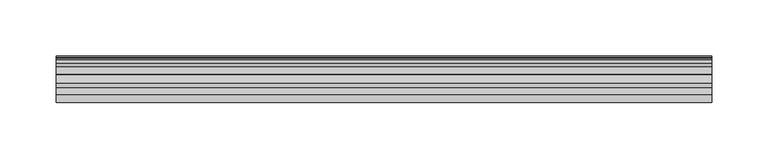
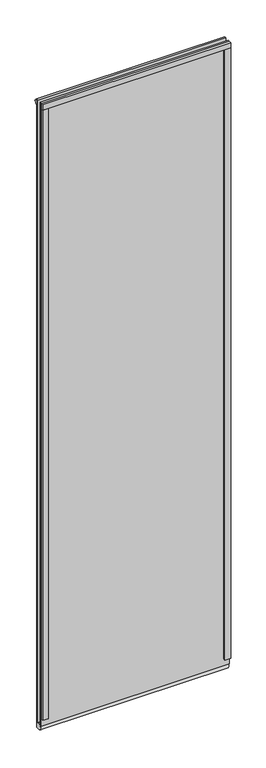
"""IFC4 building model written with IfcOpenShell, lengths in millimetres: plate geometry."""

import ifcopenshell
import ifcopenshell.guid

model = None  # the IFC model being written
_history = None  # IfcOwnerHistory: only IFC2X3 demands one
_inside = {}  # id of a spatial element -> (the spatial element, [elements in it])
_under = {}  # id of a project, library or spatial element -> (it, [spatial elements below it])
_declared = {}  # id of a project -> (the project, [libraries it declares])
_typed = {}  # id of a type object -> (the type object, [elements of that type])
_made_of = {}  # id of a material, layer set ... -> (it, [elements and type objects made of it])


def new_model(schema):
    """Start an empty IFC model of exactly this schema.

    Asked for "IFC4X3", IfcOpenShell would pick the latest addendum, in which some entities
    have other attributes; the version numbers below select the first issue.
    IFC2X3 requires an IfcOwnerHistory on every rooted entity: one is made here for all.
    """
    global model, _history
    if schema == "IFC4X3":
        model = ifcopenshell.file(schema_version=(4, 3, 0, 0))
    else:
        model = ifcopenshell.file(schema=schema)
    _inside.clear()
    _under.clear()
    _declared.clear()
    _typed.clear()
    _made_of.clear()
    _history = None
    if model.schema == "IFC2X3":
        org = make("IfcOrganization", Name="unknown")
        user = make(
            "IfcPersonAndOrganization",
            ThePerson=make("IfcPerson", FamilyName="unknown"),
            TheOrganization=org,
        )
        app = make(
            "IfcApplication",
            ApplicationDeveloper=org,
            Version="unknown",
            ApplicationFullName="unknown",
            ApplicationIdentifier="unknown",
        )
        _history = make(
            "IfcOwnerHistory",
            OwningUser=user,
            OwningApplication=app,
            ChangeAction="ADDED",
            CreationDate=0,
        )
    return model


def make(cls, **values):
    """One entity of the class cls with the attributes given. An attribute that is None is left unset."""
    return model.create_entity(
        cls, **{name: value for name, value in values.items() if value is not None}
    )


def rooted(cls, **values):
    """An entity with a GlobalId (a new one), such as an element, a storey or a relation."""
    return make(cls, GlobalId=ifcopenshell.guid.new(), OwnerHistory=_history, **values)


def si_unit(unit_type, name, prefix=None):
    """IfcSIUnit, for example si_unit("LENGTHUNIT", "METRE", prefix="MILLI")."""
    return make("IfcSIUnit", UnitType=unit_type, Prefix=prefix, Name=name)


def assignment(units):
    """IfcUnitAssignment: the units of a project."""
    return None if units is None else make("IfcUnitAssignment", Units=units)


def point(xyz):
    """IfcCartesianPoint."""
    return None if xyz is None else make("IfcCartesianPoint", Coordinates=xyz)


def direction(xyz):
    """IfcDirection."""
    return None if xyz is None else make("IfcDirection", DirectionRatios=xyz)


def frame(location, z_axis=None, x_axis=None):
    """IfcAxis2Placement3D, a coordinate frame: its origin and axes. An axis left out is left unset."""
    return make(
        "IfcAxis2Placement3D",
        Location=point(location),
        Axis=direction(z_axis),
        RefDirection=direction(x_axis),
    )


def frame_2d(location, x_axis=None):
    """IfcAxis2Placement2D, a coordinate frame in the plane: its origin and x axis."""
    return make(
        "IfcAxis2Placement2D", Location=point(location), RefDirection=direction(x_axis)
    )


def origin():
    """The frame at (0, 0, 0) with its axes left unset."""
    return frame((0.0, 0.0, 0.0))


def origin_with_axes():
    """The frame at (0, 0, 0) with the z axis (0, 0, 1) and the x axis (1, 0, 0) written out."""
    return frame((0.0, 0.0, 0.0), z_axis=(0.0, 0.0, 1.0), x_axis=(1.0, 0.0, 0.0))


def place(relative_to, where):
    """IfcLocalPlacement: puts the frame where relative to a parent placement (None: the world)."""
    return make(
        "IfcLocalPlacement", PlacementRelTo=relative_to, RelativePlacement=where
    )


def context(
    kind, dimensions, precision=None, world=None, true_north=None, identifier=None
):
    """IfcGeometricRepresentationContext, for example the 3D "Model" context."""
    return make(
        "IfcGeometricRepresentationContext",
        ContextIdentifier=identifier,
        ContextType=kind,
        CoordinateSpaceDimension=dimensions,
        Precision=precision,
        WorldCoordinateSystem=world,
        TrueNorth=true_north,
    )


def project(units=None, contexts=None):
    """IfcProject with its units and contexts."""
    return rooted(
        "IfcProject",
        Name="project",
        RepresentationContexts=contexts,
        UnitsInContext=assignment(units),
    )


def spatial(cls, under=None, at=None, **own):
    """A site, building, storey or space (cls), placed at a placement, below another one or the project."""
    s = rooted(cls, ObjectPlacement=at, **own)
    if under is not None:
        _under.setdefault(under.id(), (under, []))[1].append(s)
    return s


def polyline(points):
    """IfcPolyline through the points."""
    return make("IfcPolyline", Points=[point(p) for p in points])


def circle_curve(where, radius):
    """IfcCircle in the frame where."""
    return make("IfcCircle", Position=where, Radius=radius)


def ellipse_curve(where, semi_axis1, semi_axis2):
    """IfcEllipse in the frame where."""
    return make(
        "IfcEllipse", Position=where, SemiAxis1=semi_axis1, SemiAxis2=semi_axis2
    )


def trimmed(basis, trim1, trim2, sense, master):
    """IfcTrimmedCurve: the piece of a basis curve between two trims."""
    return make(
        "IfcTrimmedCurve",
        BasisCurve=basis,
        Trim1=trim1,
        Trim2=trim2,
        SenseAgreement=sense,
        MasterRepresentation=master,
    )


def segment(curve, same_sense, transition):
    """IfcCompositeCurveSegment."""
    return make(
        "IfcCompositeCurveSegment",
        Transition=transition,
        SameSense=same_sense,
        ParentCurve=curve,
    )


def composite_curve(segments, self_intersect=None):
    """IfcCompositeCurve: segments joined end to end."""
    return make("IfcCompositeCurve", Segments=segments, SelfIntersect=self_intersect)


def outline(outer, holes=None, kind="AREA"):
    """IfcArbitraryClosedProfileDef: a profile drawn as a closed curve; with holes, ...WithVoids."""
    if holes is None:
        return make("IfcArbitraryClosedProfileDef", ProfileType=kind, OuterCurve=outer)
    return make(
        "IfcArbitraryProfileDefWithVoids",
        ProfileType=kind,
        OuterCurve=outer,
        InnerCurves=holes,
    )


def extrude(swept, where, along, depth):
    """IfcExtrudedAreaSolid: the profile swept, set in the frame where, extruded along a direction by depth."""
    return make(
        "IfcExtrudedAreaSolid",
        SweptArea=swept,
        Position=where,
        ExtrudedDirection=direction(along),
        Depth=depth,
    )


def shape(context_of_items, identifier, shape_type, items):
    """IfcShapeRepresentation: the items that make up one representation, for example the "Body"."""
    return make(
        "IfcShapeRepresentation",
        ContextOfItems=context_of_items,
        RepresentationIdentifier=identifier,
        RepresentationType=shape_type,
        Items=items,
    )


def source(mapping_origin, context_of_items, identifier, shape_type, items):
    """IfcRepresentationMap: a shape defined once, which mapped items show again and again."""
    return make(
        "IfcRepresentationMap",
        MappingOrigin=mapping_origin,
        MappedRepresentation=shape(context_of_items, identifier, shape_type, items),
    )


def transform(
    local_origin,
    x_axis=None,
    y_axis=None,
    z_axis=None,
    scale=None,
    scale2=None,
    scale3=None,
    uniform=True,
):
    """IfcCartesianTransformationOperator3D, or its non-uniform kind. x_axis, y_axis, z_axis: its Axis1, 2, 3."""
    if uniform:
        return make(
            "IfcCartesianTransformationOperator3D",
            Axis1=direction(x_axis),
            Axis2=direction(y_axis),
            LocalOrigin=point(local_origin),
            Scale=scale,
            Axis3=direction(z_axis),
        )
    return make(
        "IfcCartesianTransformationOperator3DnonUniform",
        Axis1=direction(x_axis),
        Axis2=direction(y_axis),
        LocalOrigin=point(local_origin),
        Scale=scale,
        Axis3=direction(z_axis),
        Scale2=scale2,
        Scale3=scale3,
    )


def mapped(mapping_source, mapping_target):
    """IfcMappedItem: shows the shape of a source again, moved by a transform."""
    return make(
        "IfcMappedItem", MappingSource=mapping_source, MappingTarget=mapping_target
    )


def made_of(thing, what):
    """Note that an element or type object is made of a material, layer set ...; save() writes the relation."""
    if what is not None:
        _made_of.setdefault(what.id(), (what, []))[1].append(thing)
    return thing


def element(
    cls,
    number,
    at=None,
    inside=None,
    cuts=None,
    type_object=None,
    material=None,
    context=None,
    identifier="Body",
    shape_type=None,
    held_by="IfcProductDefinitionShape",
    body=None,
    shapes=None,
    **own,
):
    """One element of the class cls, such as IfcWall. Its Tag is "e" and its number.

    at: its placement. inside: the storey or other place that contains it. cuts: it is an
    opening in that element (IfcRelVoidsElement). A single representation is given by context,
    identifier, shape_type and body (its items); several are given by shapes. held_by: the class
    of the entity that holds the representations. save() writes the other relations.
    """
    e = rooted(cls, Tag="e%d" % number, ObjectPlacement=at, **own)
    if body is not None:
        shapes = [shape(context, identifier, shape_type, body)]
    if shapes is not None:
        e.Representation = make(held_by, Representations=shapes)
    if inside is not None:
        _inside.setdefault(inside.id(), (inside, []))[1].append(e)
    if cuts is not None:
        rooted(
            "IfcRelVoidsElement", RelatingBuildingElement=cuts, RelatedOpeningElement=e
        )
    if type_object is not None:
        _typed.setdefault(type_object.id(), (type_object, []))[1].append(e)
    return made_of(e, material)


def aggregate(whole, parts):
    """IfcRelAggregates: a whole, such as a stair, and the parts it consists of."""
    return rooted("IfcRelAggregates", RelatingObject=whole, RelatedObjects=parts)


def save(model, path):
    """Write the relations noted so far, then the file.

    IfcRelAggregates (storeys below a building ...), IfcRelContainedInSpatialStructure (elements
    in a storey), IfcRelDefinesByType, IfcRelAssociatesMaterial and IfcRelDeclares: one each for
    every whole, place, type object, material and project.
    """
    for whole, parts in _under.values():
        aggregate(whole, parts)
    for where, things in _inside.values():
        rooted(
            "IfcRelContainedInSpatialStructure",
            RelatedElements=things,
            RelatingStructure=where,
        )
    for kind, things in _typed.values():
        rooted("IfcRelDefinesByType", RelatedObjects=things, RelatingType=kind)
    for what, things in _made_of.values():
        rooted("IfcRelAssociatesMaterial", RelatedObjects=things, RelatingMaterial=what)
    for by, libraries in _declared.values():
        rooted("IfcRelDeclares", RelatingContext=by, RelatedDefinitions=libraries)
    model.write(path)


def plane_surface(at):
    """IfcPlane: the flat surface through the origin of the frame at, square to its z axis."""
    return make("IfcPlane", Position=at)


def cylinder_surface(at, radius):
    """IfcCylindricalSurface: all points at the distance radius from the z axis of the frame at."""
    return make("IfcCylindricalSurface", Position=at, Radius=radius)


def revolved_surface(curve, axis_point, axis_direction):
    """IfcSurfaceOfRevolution: the curve turned about the line through axis_point along axis_direction."""
    return make(
        "IfcSurfaceOfRevolution",
        SweptCurve=make("IfcArbitraryOpenProfileDef", ProfileType="CURVE", Curve=curve),
        AxisPosition=make("IfcAxis1Placement", Location=point(axis_point), Axis=direction(axis_direction)),
    )


def extruded_surface(curve, direction_of_extrusion, depth):
    """IfcSurfaceOfLinearExtrusion: the curve pushed along a direction by depth."""
    return make(
        "IfcSurfaceOfLinearExtrusion",
        SweptCurve=make("IfcArbitraryOpenProfileDef", ProfileType="CURVE", Curve=curve),
        ExtrudedDirection=direction(direction_of_extrusion),
        Depth=depth,
    )


def advanced_brep(points, edges, surfaces, faces):
    """IfcAdvancedBrep: a solid bounded by faces that lie on surfaces and meet in shared edges.

    An edge is (start, end): straight between two places in points (the first is 0);
    or (start, end, curve); or (start, end, curve, False) where it runs against its curve.
    A face is (place in surfaces, loops), or (place, loops, False) where it looks against
    its surface's normal. A loop lists edges by number (the first is 1), with a minus sign
    where the edge is run from its end to its start. The first loop is the outer one.
    """
    corners = [point(p) for p in points]
    vertices = [make("IfcVertexPoint", VertexGeometry=c) for c in corners]
    made = []
    for start, end, *more in edges:
        made.append(
            make(
                "IfcEdgeCurve",
                EdgeStart=vertices[start],
                EdgeEnd=vertices[end],
                EdgeGeometry=more[0] if more else make("IfcPolyline", Points=[corners[start], corners[end]]),
                SameSense=more[1] if len(more) > 1 else True,
            )
        )
    hull = []
    for where, loops, *sense in faces:
        bounds = []
        for j, loop in enumerate(loops):
            ring = [make("IfcOrientedEdge", EdgeElement=made[abs(k) - 1], Orientation=k > 0) for k in loop]
            bounds.append(
                make(
                    "IfcFaceOuterBound" if j == 0 else "IfcFaceBound",
                    Bound=make("IfcEdgeLoop", EdgeList=ring),
                    Orientation=True,
                )
            )
        hull.append(make("IfcAdvancedFace", Bounds=bounds, FaceSurface=surfaces[where], SameSense=sense[0] if sense else True))
    return make("IfcAdvancedBrep", Outer=make("IfcClosedShell", CfsFaces=hull))


def plate_05b7655e(model_context):
    return source(origin(), model_context, "Body", "SolidModel", [
        advanced_brep(
        [(290.5124998, -25.9445125, -22.1996002), (290.5124998, -33.5542419, -21.2138637), (290.5124998, -32.0901768, -41.2749995), (290.5124998, -19.2445188, -41.2749995), (290.5124998, -20.8476894, -32.5010749), (290.5124998, -19.6453125, -22.1996002), (-290.5124998, -25.9445125, -22.1996002), (-290.5124998, -19.6453125, -22.1996002), (-290.5124998, -20.8476894, -32.5010749), (-290.5124998, -19.2445188, -41.2749995), (-290.5124998, -32.0901768, -41.2749995), (-290.5124998, -33.5542419, -21.2138637)],
        [
            (0, 1, circle_curve(frame((290.5124998, -32.0913125, -39.7861015), z_axis=(1.0, 0.0, 0.0), x_axis=(0.0, 0.0, 1.0)), 18.6297659)),
            (1, 2, ellipse_curve(frame((290.5124998, -32.0901768, -31.1672132), z_axis=(1.0, 0.0, 0.0), x_axis=(0.0, 0.0, 1.0)), 10.1077863, 8.4074283)),
            (2, 3),
            (3, 4, circle_curve(frame((290.5124998, 7.0127939, -31.9438382), z_axis=(-1.0, 0.0, 0.0), x_axis=(0.0, 0.0, 1.0)), 27.8660553)),
            (4, 5, circle_curve(frame((290.5124998, 17.3392051, -31.7373), z_axis=(-1.0, 0.0, 0.0), x_axis=(0.0, 0.0, 1.0)), 38.1945319)),
            (5, 0),
            (6, 7),
            (7, 8, circle_curve(frame((-290.5124998, 17.3392051, -31.7373), z_axis=(1.0, 0.0, 0.0), x_axis=(0.0, 0.0, 1.0)), 38.1945319)),
            (8, 9, circle_curve(frame((-290.5124998, 7.0127939, -31.9438382), z_axis=(1.0, 0.0, 0.0), x_axis=(0.0, 0.0, 1.0)), 27.8660553)),
            (9, 10),
            (10, 11, ellipse_curve(frame((-290.5124998, -32.0901768, -31.1672132), z_axis=(-1.0, 0.0, 0.0), x_axis=(0.0, 0.0, 1.0)), 10.1077863, 8.4074283)),
            (11, 6, circle_curve(frame((-290.5124998, -32.0913125, -39.7861015), z_axis=(-1.0, 0.0, 0.0), x_axis=(0.0, 0.0, 1.0)), 18.6297659)),
            (4, 8),
            (7, 5),
            (6, 0),
            (2, 10),
            (9, 3),
            (11, 1),
        ],
        [
            plane_surface(frame((290.5124998, 25.5984375, 0.0), z_axis=(1.0, 0.0, 0.0), x_axis=(0.0, 1.0, 0.0))),
            plane_surface(frame((-290.5124998, 25.5984375, 0.0), z_axis=(-1.0, 0.0, 0.0), x_axis=(0.0, 1.0, 0.0))),
            revolved_surface(polyline([(-290.5124998, 17.3392051, 6.4572319), (290.5124998, 17.3392051, 6.4572319)]), (290.5124998, 17.3392051, -31.7373), (-1.0, 0.0, 0.0)),
            plane_surface(frame((290.5124998, -19.6453125, -22.1996002), z_axis=(0.0, 0.0, 1.0), x_axis=(-1.0, 0.0, 0.0))),
            plane_surface(frame((290.5124998, -32.0901768, -41.2749995), z_axis=(0.0, 0.0, -1.0), x_axis=(-1.0, 0.0, 0.0))),
            revolved_surface(polyline([(-290.5124998, 7.0127939, -4.077782899999999), (290.5124998, 7.0127939, -4.077782899999999)]), (290.5124998, 7.0127939, -31.9438382), (-1.0, 0.0, 0.0)),
            cylinder_surface(frame((290.5124998, -32.0913125, -39.7861015), z_axis=(1.0, 0.0, 0.0), x_axis=(0.0, 0.0, 1.0)), 18.6297659),
            extruded_surface(trimmed(ellipse_curve(frame((-290.5124998, -32.0901768, -31.1672132), z_axis=(1.0, 0.0, 0.0), x_axis=(0.0, 0.0, 1.0)), 10.1077863, 8.4074283), [point((-290.5124998, -33.5542419, -21.2138637))], [point((-290.5124998, -32.0901768, -41.2749995))], True, "CARTESIAN"), (581.0249996, 0.0, 0.0), 581.0249996),
        ],
        [
            (0, [[1, 2, 3, 4, 5, 6]]),
            (1, [[7, 8, 9, 10, 11, 12]]),
            (2, [[-5, 13, -8, 14]]),
            (3, [[-6, -14, -7, 15]]),
            (4, [[-3, 16, -10, 17]]),
            (5, [[-4, -17, -9, -13]]),
            (6, [[-1, -15, -12, 18]]),
            (7, [[-2, -18, -11, -16]]),
        ],
    ),
        extrude(outline(polyline([(-16.4107848, 2006.3459996), (-13.4643848, 2006.3459996), (-13.4643848, 2001.9009996), (-11.0841878, 2001.5199996), (-11.5441211, 2002.9355286), (-10.7429069, 2002.9355286), (-10.0353848, 2000.7579996), (-10.7429069, 1998.5804705), (-11.5441211, 1998.5804705), (-11.0841878, 1999.9959996), (-13.4643848, 1999.6149996), (-13.4643848, 1994.4079996), (-19.636583, 1992.7383781), (-19.636583, 2003.6597215), (-16.4107848, 2006.3459996)])), frame((-290.5124998, 0.0, 0.0), z_axis=(1.0, 0.0, 0.0), x_axis=(0.0, 1.0, 0.0)), (0.0, 0.0, 1.0), 581.0249996),
        extrude(outline(composite_curve([segment(trimmed(circle_curve(frame_2d((-47.7123125, 2023.6741537)), 12.7144578), [point((-50.8873125, 2011.3625002))], [point((-44.5373125, 2011.3625002))], True, "CARTESIAN"), True, "CONTINUOUS"), segment(polyline([(-44.5373125, 2011.3625002), (-44.5373125, 1993.9000004), (-50.8873125, 1993.9000004), (-50.8873125, 2011.3625002)]), True, "CONTINUOUS")], self_intersect=False)), frame((-290.5124998, 0.0, 0.0), z_axis=(1.0, 0.0, 0.0), x_axis=(0.0, 1.0, 0.0)), (0.0, 0.0, 1.0), 581.0249996),
        extrude(outline(polyline([(-271.8883774, -19.5373643), (-282.8097209, -19.5373643), (-285.4959989, -16.311566), (-285.4959989, -13.365166), (-281.0509989, -13.365166), (-280.6699989, -10.9849691), (-282.085528, -11.4449023), (-282.085528, -10.6436881), (-279.9079989, -9.936166), (-277.7304699, -10.6436881), (-277.7304699, -11.4449023), (-279.1459989, -10.9849691), (-278.7649989, -13.365166), (-273.5579989, -13.365166), (-271.8883774, -19.5373643)])), origin_with_axes(), (0.0, 0.0, 1.0), 1993.9000004),
        extrude(outline(polyline([(-273.0372998, -44.4293643), (-273.0372998, -50.7793643), (-290.5124998, -50.7793643), (-290.5124998, -44.4293643), (-273.0372998, -44.4293643)])), origin_with_axes(), (0.0, 0.0, 1.0), 1993.9000004),
        extrude(outline(polyline([(271.9010776, -19.5373643), (273.5706991, -13.365166), (278.7776991, -13.365166), (279.1586991, -10.9849691), (277.7431701, -11.4449023), (277.7431701, -10.6436881), (279.9206991, -9.936166), (282.0982282, -10.6436881), (282.0982282, -11.4449023), (280.6826991, -10.9849691), (281.0636991, -13.365166), (285.5086991, -13.365166), (285.5086991, -16.311566), (282.8224211, -19.5373643), (271.9010776, -19.5373643)])), origin_with_axes(), (0.0, 0.0, 1.0), 1993.9000004),
        extrude(outline(polyline([(290.5252, -50.7793643), (273.0499996, -50.7793643), (273.0499996, -44.4293643), (290.5252, -44.4293643), (290.5252, -50.7793643)])), origin_with_axes(), (0.0, 0.0, 1.0), 1993.9000004),
        extrude(outline(polyline([(290.5124998, -19.5373643), (290.5124998, -25.8250158), (-290.5124998, -25.8250158), (-290.5124998, -19.5373643), (290.5124998, -19.5373643)])), frame((0.0, 0.0, -22.2122998), z_axis=(0.0, 0.0, 1.0), x_axis=(1.0, 0.0, 0.0)), (0.0, 0.0, 1.0), 2033.5748002),
        extrude(outline(polyline([(-290.5124998, -44.4293643), (-290.5124998, -38.1186142), (290.5124998, -38.1186142), (290.5124998, -44.4293643), (-290.5124998, -44.4293643)])), frame((0.0, 0.0, -22.2122998), z_axis=(0.0, 0.0, 1.0), x_axis=(1.0, 0.0, 0.0)), (0.0, 0.0, 1.0), 2033.5748002),
    ])


if __name__ == "__main__":
    model = new_model("IFC4")
    model_context = context("Model", 3, world=origin())
    ifc_project = project(units=[si_unit("LENGTHUNIT", "METRE", prefix="MILLI")], contexts=[model_context])
    site = spatial("IfcSite", under=ifc_project)
    building = spatial("IfcBuilding", under=site)
    placement = place(None, origin())
    plate_shape = plate_05b7655e(model_context)
    element("IfcPlate", 1, at=placement, inside=building, context=model_context, shape_type="MappedRepresentation", body=[
        mapped(plate_shape, transform((0.0, 0.0, 0.0), x_axis=(1.0, 0.0, 0.0), y_axis=(0.0, 1.0, 0.0), z_axis=(0.0, 0.0, 1.0))),
    ])
    save(model, "model.ifc")
